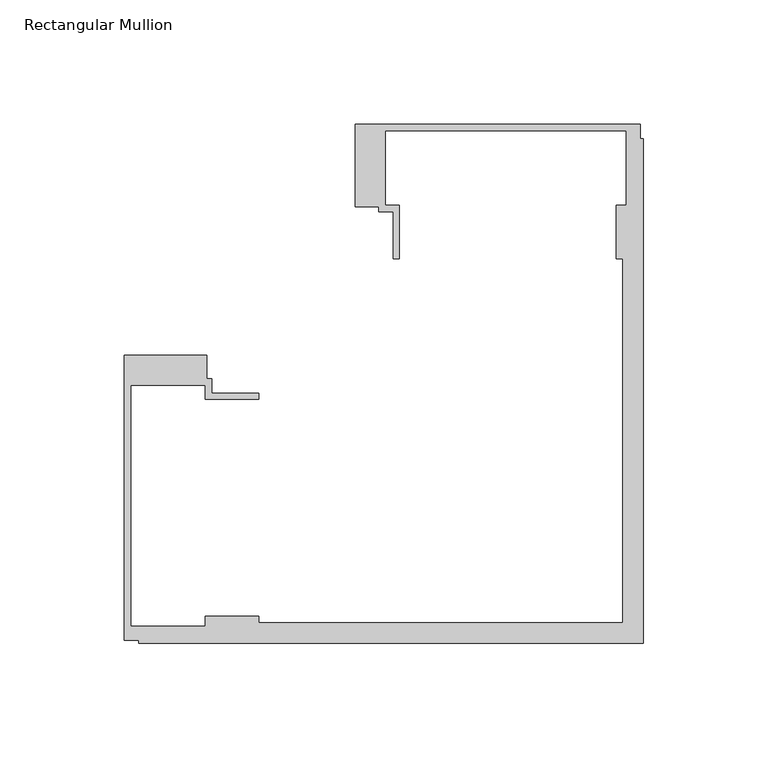
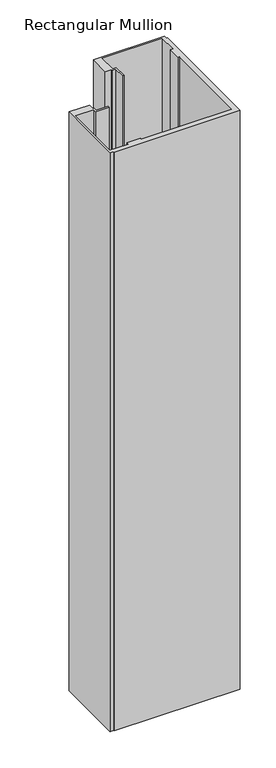
"""IFC4 building model written with IfcOpenShell, lengths in millimetres: member geometry, Rectangular Mullion."""

from ifc_helpers import new_model, si_unit, frame, origin, place, context, project, spatial, polyline, outline, extrude, source, transform, mapped, element, save


def rectangular_mullion_244bf464(model_context):
    return source(origin(), model_context, "Body", "SweptSolid", [
        extrude(outline(polyline([(-175.4039085, -14.9961656), (-175.4039085, -24.4862839), (-173.4039085, -24.4862839), (-173.4039085, -30.2961656), (-154.4039085, -30.2961656), (-154.4039085, -32.7961656), (-175.9039085, -32.7961656), (-175.9039085, -26.9961656), (-205.9039085, -26.9961656), (-205.9039085, -123.9961596), (-175.9039085, -123.9961596), (-175.9039085, -119.9961596), (-154.4039085, -119.9961596), (-154.4039085, -122.4961596), (-8.2039451, -122.4961596), (-8.2039451, 23.7038038), (-10.7039451, 23.7038038), (-10.7039451, 45.308114), (-6.7039451, 45.308114), (-6.7039451, 75.2038038), (-103.703939, 75.2038038), (-103.703939, 45.2038038), (-97.903939, 45.2038038), (-97.903939, 23.7038038), (-100.403939, 23.7038038), (-100.403939, 42.7038038), (-106.203939, 42.7038038), (-106.203939, 44.7038038), (-115.703939, 44.7038038), (-115.703939, 77.7038038), (-1.2039451, 77.7038038), (-1.2039451, 71.9884533), (0.0, 71.9884533), (0.0, -130.7001047), (-202.7039347, -130.7001047), (-202.7039347, -129.4961596), (-208.4039085, -129.4961596), (-208.4039085, -14.9961656), (-175.4039085, -14.9961656)])), frame((0.0, 0.0, -983.6621216), z_axis=(0.0, 0.0, 1.0), x_axis=(1.0, 0.0, 0.0)), (0.0, 0.0, 1.0), 983.6621216),
    ])


if __name__ == "__main__":
    model = new_model("IFC4")
    model_context = context("Model", 3, world=origin())
    ifc_project = project(units=[si_unit("LENGTHUNIT", "METRE", prefix="MILLI")], contexts=[model_context])
    site = spatial("IfcSite", under=ifc_project)
    building = spatial("IfcBuilding", under=site)
    placement = place(None, origin())
    rectangular_mullion_shape = rectangular_mullion_244bf464(model_context)
    element("IfcMember", 1, ObjectType="Rectangular Mullion", at=placement, inside=building, context=model_context, shape_type="MappedRepresentation", body=[
        mapped(rectangular_mullion_shape, transform((0.0, 0.0, 0.0), x_axis=(1.0, 0.0, 0.0), y_axis=(0.0, 1.0, 0.0), z_axis=(0.0, 0.0, 1.0))),
    ])
    save(model, "model.ifc")
